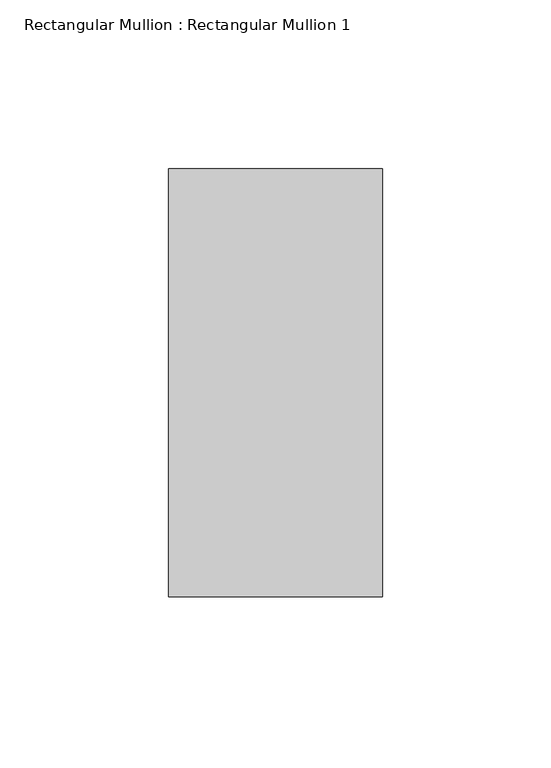
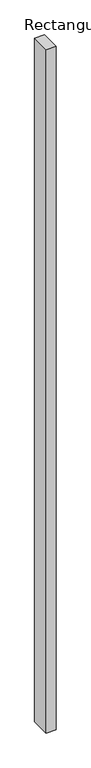
"""IFC4 building model written with IfcOpenShell, lengths in millimetres: member geometry, Rectangular Mullion : Rectangular Mullion 1."""

import ifcopenshell
import ifcopenshell.guid

model = None  # the IFC model being written
_history = None  # IfcOwnerHistory: only IFC2X3 demands one
_inside = {}  # id of a spatial element -> (the spatial element, [elements in it])
_under = {}  # id of a project, library or spatial element -> (it, [spatial elements below it])
_declared = {}  # id of a project -> (the project, [libraries it declares])
_typed = {}  # id of a type object -> (the type object, [elements of that type])
_made_of = {}  # id of a material, layer set ... -> (it, [elements and type objects made of it])


def new_model(schema):
    """Start an empty IFC model of exactly this schema.

    Asked for "IFC4X3", IfcOpenShell would pick the latest addendum, in which some entities
    have other attributes; the version numbers below select the first issue.
    IFC2X3 requires an IfcOwnerHistory on every rooted entity: one is made here for all.
    """
    global model, _history
    if schema == "IFC4X3":
        model = ifcopenshell.file(schema_version=(4, 3, 0, 0))
    else:
        model = ifcopenshell.file(schema=schema)
    _inside.clear()
    _under.clear()
    _declared.clear()
    _typed.clear()
    _made_of.clear()
    _history = None
    if model.schema == "IFC2X3":
        org = make("IfcOrganization", Name="unknown")
        user = make(
            "IfcPersonAndOrganization",
            ThePerson=make("IfcPerson", FamilyName="unknown"),
            TheOrganization=org,
        )
        app = make(
            "IfcApplication",
            ApplicationDeveloper=org,
            Version="unknown",
            ApplicationFullName="unknown",
            ApplicationIdentifier="unknown",
        )
        _history = make(
            "IfcOwnerHistory",
            OwningUser=user,
            OwningApplication=app,
            ChangeAction="ADDED",
            CreationDate=0,
        )
    return model


def make(cls, **values):
    """One entity of the class cls with the attributes given. An attribute that is None is left unset."""
    return model.create_entity(
        cls, **{name: value for name, value in values.items() if value is not None}
    )


def rooted(cls, **values):
    """An entity with a GlobalId (a new one), such as an element, a storey or a relation."""
    return make(cls, GlobalId=ifcopenshell.guid.new(), OwnerHistory=_history, **values)


def si_unit(unit_type, name, prefix=None):
    """IfcSIUnit, for example si_unit("LENGTHUNIT", "METRE", prefix="MILLI")."""
    return make("IfcSIUnit", UnitType=unit_type, Prefix=prefix, Name=name)


def assignment(units):
    """IfcUnitAssignment: the units of a project."""
    return None if units is None else make("IfcUnitAssignment", Units=units)


def point(xyz):
    """IfcCartesianPoint."""
    return None if xyz is None else make("IfcCartesianPoint", Coordinates=xyz)


def direction(xyz):
    """IfcDirection."""
    return None if xyz is None else make("IfcDirection", DirectionRatios=xyz)


def frame(location, z_axis=None, x_axis=None):
    """IfcAxis2Placement3D, a coordinate frame: its origin and axes. An axis left out is left unset."""
    return make(
        "IfcAxis2Placement3D",
        Location=point(location),
        Axis=direction(z_axis),
        RefDirection=direction(x_axis),
    )


def origin():
    """The frame at (0, 0, 0) with its axes left unset."""
    return frame((0.0, 0.0, 0.0))


def place(relative_to, where):
    """IfcLocalPlacement: puts the frame where relative to a parent placement (None: the world)."""
    return make(
        "IfcLocalPlacement", PlacementRelTo=relative_to, RelativePlacement=where
    )


def context(
    kind, dimensions, precision=None, world=None, true_north=None, identifier=None
):
    """IfcGeometricRepresentationContext, for example the 3D "Model" context."""
    return make(
        "IfcGeometricRepresentationContext",
        ContextIdentifier=identifier,
        ContextType=kind,
        CoordinateSpaceDimension=dimensions,
        Precision=precision,
        WorldCoordinateSystem=world,
        TrueNorth=true_north,
    )


def project(units=None, contexts=None):
    """IfcProject with its units and contexts."""
    return rooted(
        "IfcProject",
        Name="project",
        RepresentationContexts=contexts,
        UnitsInContext=assignment(units),
    )


def spatial(cls, under=None, at=None, **own):
    """A site, building, storey or space (cls), placed at a placement, below another one or the project."""
    s = rooted(cls, ObjectPlacement=at, **own)
    if under is not None:
        _under.setdefault(under.id(), (under, []))[1].append(s)
    return s


def polyline(points):
    """IfcPolyline through the points."""
    return make("IfcPolyline", Points=[point(p) for p in points])


def outline(outer, holes=None, kind="AREA"):
    """IfcArbitraryClosedProfileDef: a profile drawn as a closed curve; with holes, ...WithVoids."""
    if holes is None:
        return make("IfcArbitraryClosedProfileDef", ProfileType=kind, OuterCurve=outer)
    return make(
        "IfcArbitraryProfileDefWithVoids",
        ProfileType=kind,
        OuterCurve=outer,
        InnerCurves=holes,
    )


def extrude(swept, where, along, depth):
    """IfcExtrudedAreaSolid: the profile swept, set in the frame where, extruded along a direction by depth."""
    return make(
        "IfcExtrudedAreaSolid",
        SweptArea=swept,
        Position=where,
        ExtrudedDirection=direction(along),
        Depth=depth,
    )


def shape(context_of_items, identifier, shape_type, items):
    """IfcShapeRepresentation: the items that make up one representation, for example the "Body"."""
    return make(
        "IfcShapeRepresentation",
        ContextOfItems=context_of_items,
        RepresentationIdentifier=identifier,
        RepresentationType=shape_type,
        Items=items,
    )


def source(mapping_origin, context_of_items, identifier, shape_type, items):
    """IfcRepresentationMap: a shape defined once, which mapped items show again and again."""
    return make(
        "IfcRepresentationMap",
        MappingOrigin=mapping_origin,
        MappedRepresentation=shape(context_of_items, identifier, shape_type, items),
    )


def transform(
    local_origin,
    x_axis=None,
    y_axis=None,
    z_axis=None,
    scale=None,
    scale2=None,
    scale3=None,
    uniform=True,
):
    """IfcCartesianTransformationOperator3D, or its non-uniform kind. x_axis, y_axis, z_axis: its Axis1, 2, 3."""
    if uniform:
        return make(
            "IfcCartesianTransformationOperator3D",
            Axis1=direction(x_axis),
            Axis2=direction(y_axis),
            LocalOrigin=point(local_origin),
            Scale=scale,
            Axis3=direction(z_axis),
        )
    return make(
        "IfcCartesianTransformationOperator3DnonUniform",
        Axis1=direction(x_axis),
        Axis2=direction(y_axis),
        LocalOrigin=point(local_origin),
        Scale=scale,
        Axis3=direction(z_axis),
        Scale2=scale2,
        Scale3=scale3,
    )


def mapped(mapping_source, mapping_target):
    """IfcMappedItem: shows the shape of a source again, moved by a transform."""
    return make(
        "IfcMappedItem", MappingSource=mapping_source, MappingTarget=mapping_target
    )


def made_of(thing, what):
    """Note that an element or type object is made of a material, layer set ...; save() writes the relation."""
    if what is not None:
        _made_of.setdefault(what.id(), (what, []))[1].append(thing)
    return thing


def element(
    cls,
    number,
    at=None,
    inside=None,
    cuts=None,
    type_object=None,
    material=None,
    context=None,
    identifier="Body",
    shape_type=None,
    held_by="IfcProductDefinitionShape",
    body=None,
    shapes=None,
    **own,
):
    """One element of the class cls, such as IfcWall. Its Tag is "e" and its number.

    at: its placement. inside: the storey or other place that contains it. cuts: it is an
    opening in that element (IfcRelVoidsElement). A single representation is given by context,
    identifier, shape_type and body (its items); several are given by shapes. held_by: the class
    of the entity that holds the representations. save() writes the other relations.
    """
    e = rooted(cls, Tag="e%d" % number, ObjectPlacement=at, **own)
    if body is not None:
        shapes = [shape(context, identifier, shape_type, body)]
    if shapes is not None:
        e.Representation = make(held_by, Representations=shapes)
    if inside is not None:
        _inside.setdefault(inside.id(), (inside, []))[1].append(e)
    if cuts is not None:
        rooted(
            "IfcRelVoidsElement", RelatingBuildingElement=cuts, RelatedOpeningElement=e
        )
    if type_object is not None:
        _typed.setdefault(type_object.id(), (type_object, []))[1].append(e)
    return made_of(e, material)


def aggregate(whole, parts):
    """IfcRelAggregates: a whole, such as a stair, and the parts it consists of."""
    return rooted("IfcRelAggregates", RelatingObject=whole, RelatedObjects=parts)


def save(model, path):
    """Write the relations noted so far, then the file.

    IfcRelAggregates (storeys below a building ...), IfcRelContainedInSpatialStructure (elements
    in a storey), IfcRelDefinesByType, IfcRelAssociatesMaterial and IfcRelDeclares: one each for
    every whole, place, type object, material and project.
    """
    for whole, parts in _under.values():
        aggregate(whole, parts)
    for where, things in _inside.values():
        rooted(
            "IfcRelContainedInSpatialStructure",
            RelatedElements=things,
            RelatingStructure=where,
        )
    for kind, things in _typed.values():
        rooted("IfcRelDefinesByType", RelatedObjects=things, RelatingType=kind)
    for what, things in _made_of.values():
        rooted("IfcRelAssociatesMaterial", RelatedObjects=things, RelatingMaterial=what)
    for by, libraries in _declared.values():
        rooted("IfcRelDeclares", RelatingContext=by, RelatedDefinitions=libraries)
    model.write(path)


def rectangular_mullion_rectangular_mullion_1_9186d04f(model_context):
    return source(origin(), model_context, "Body", "SweptSolid", [
        extrude(outline(polyline([(31.75, 63.5), (31.75, -63.5), (-31.75, -63.5), (-31.75, 63.5), (31.75, 63.5)])), frame((0.0, 0.0, -4635.5), z_axis=(0.0, 0.0, 1.0), x_axis=(1.0, 0.0, 0.0)), (0.0, 0.0, 1.0), 4635.5),
    ])


if __name__ == "__main__":
    model = new_model("IFC4")
    model_context = context("Model", 3, world=origin())
    ifc_project = project(units=[si_unit("LENGTHUNIT", "METRE", prefix="MILLI")], contexts=[model_context])
    site = spatial("IfcSite", under=ifc_project)
    building = spatial("IfcBuilding", under=site)
    placement = place(None, origin())
    rectangular_mullion_rectangular_mullion_1_shape = rectangular_mullion_rectangular_mullion_1_9186d04f(model_context)
    element("IfcMember", 1, ObjectType="Rectangular Mullion : Rectangular Mullion 1", at=placement, inside=building, context=model_context, shape_type="MappedRepresentation", body=[
        mapped(rectangular_mullion_rectangular_mullion_1_shape, transform((0.0, 0.0, 0.0), x_axis=(1.0, 0.0, 0.0), y_axis=(0.0, 1.0, 0.0), z_axis=(0.0, 0.0, 1.0))),
    ])
    save(model, "model.ifc")
